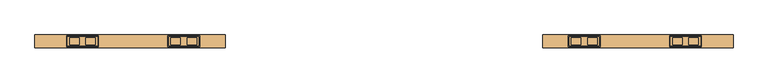
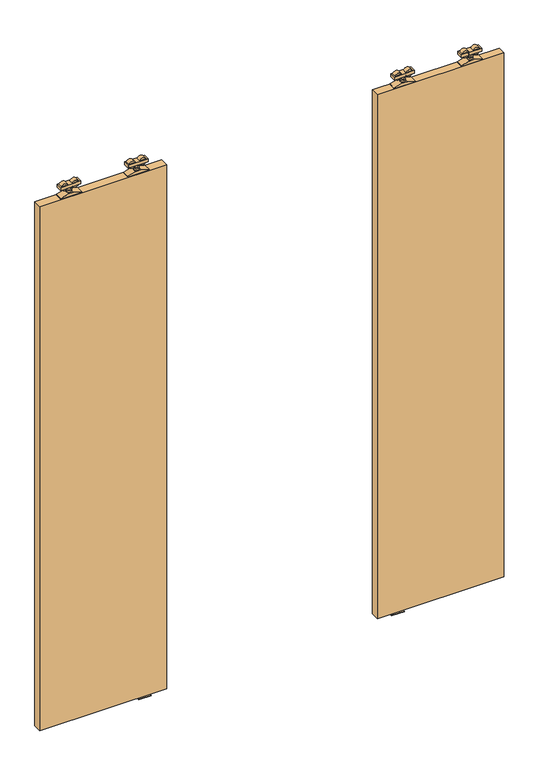
"""IFC4 building model written with IfcOpenShell, lengths in millimetres: door geometry."""

from ifc_helpers import new_model, si_unit, point, frame, frame_2d, origin, place, context, project, spatial, polyline, circle_curve, trimmed, segment, composite_curve, outline, extrude, source, transform, mapped, element, save
from ifc_brep_helpers import plane_surface, cylinder_surface, advanced_brep


def door_a167c34d(model_context):
    return source(origin(), model_context, "Body", "SolidModel", [
        advanced_brep(
        [(-57.0, 14.2574263, 2689.3), (-57.0, -14.7425737, 2689.3), (38.0, -14.7425737, 2689.3), (38.0, 14.2574263, 2689.3), (0.927668, -10.9457536, 2689.3), (0.927668, 10.4606061, 2689.3), (31.21694, 10.4606061, 2689.3), (31.21694, -10.9457536, 2689.3), (-50.21694, -10.9457536, 2689.3), (-50.21694, 10.4606061, 2689.3), (-19.927668, 10.4606061, 2689.3), (-19.927668, -10.9457536, 2689.3), (-57.0, 14.2574263, 2674.3), (38.0, 14.2574263, 2674.3), (38.0, -14.7425737, 2674.3), (-57.0, -14.7425737, 2674.3), (31.21694, -10.9457536, 2674.3), (31.21694, 10.4606061, 2674.3), (0.927668, 10.4606061, 2674.3), (0.927668, -10.9457536, 2674.3), (-19.927668, -10.9457536, 2674.3), (-19.927668, 10.4606061, 2674.3), (-50.21694, 10.4606061, 2674.3), (-50.21694, -10.9457536, 2674.3), (-4.55, -0.5, 2674.3), (-14.45, -0.5, 2674.3), (-4.55, -0.5, 2655.8), (-14.45, -0.5, 2655.8)],
        [
            (0, 1),
            (1, 2),
            (2, 3),
            (3, 0),
            (4, 5),
            (5, 6),
            (6, 7),
            (7, 4),
            (8, 9),
            (9, 10),
            (10, 11),
            (11, 8),
            (12, 13),
            (13, 14),
            (14, 15),
            (15, 12),
            (16, 17),
            (17, 18),
            (18, 19),
            (19, 16),
            (20, 21),
            (21, 22),
            (22, 23),
            (23, 20),
            (24, 25, circle_curve(frame((-9.5, -0.5, 2674.3), z_axis=(0.0, 0.0, 1.0), x_axis=(-1.0, 0.0, 0.0)), 4.95)),
            (25, 24, circle_curve(frame((-9.5, -0.5, 2674.3), z_axis=(0.0, 0.0, 1.0), x_axis=(-1.0, 0.0, 0.0)), 4.95)),
            (3, 13),
            (12, 0),
            (2, 14),
            (1, 15),
            (7, 4, circle_curve(frame((16.072304, -10.9457536, 2681.8), z_axis=(0.0, -1.0, 0.0), x_axis=(-1.0, 0.0, 0.0)), 16.9)),
            (19, 16, circle_curve(frame((16.072304, -10.9457536, 2681.8), z_axis=(0.0, -1.0, 0.0), x_axis=(-1.0, 0.0, 0.0)), 16.9)),
            (5, 6, circle_curve(frame((16.072304, 10.4606061, 2681.8), z_axis=(0.0, 1.0, 0.0), x_axis=(-1.0, 0.0, 0.0)), 16.9)),
            (17, 18, circle_curve(frame((16.072304, 10.4606061, 2681.8), z_axis=(0.0, 1.0, 0.0), x_axis=(-1.0, 0.0, 0.0)), 16.9)),
            (11, 8, circle_curve(frame((-35.072304, -10.9457536, 2681.8), z_axis=(0.0, -1.0, 0.0), x_axis=(1.0, 0.0, 0.0)), 16.9)),
            (23, 20, circle_curve(frame((-35.072304, -10.9457536, 2681.8), z_axis=(0.0, -1.0, 0.0), x_axis=(1.0, 0.0, 0.0)), 16.9)),
            (9, 10, circle_curve(frame((-35.072304, 10.4606061, 2681.8), z_axis=(0.0, 1.0, 0.0), x_axis=(1.0, 0.0, 0.0)), 16.9)),
            (21, 22, circle_curve(frame((-35.072304, 10.4606061, 2681.8), z_axis=(0.0, 1.0, 0.0), x_axis=(1.0, 0.0, 0.0)), 16.9)),
            (26, 27, circle_curve(frame((-9.5, -0.5, 2655.8), z_axis=(0.0, 0.0, -1.0), x_axis=(-1.0, 0.0, 0.0)), 4.95)),
            (27, 26, circle_curve(frame((-9.5, -0.5, 2655.8), z_axis=(0.0, 0.0, -1.0), x_axis=(-1.0, 0.0, 0.0)), 4.95)),
            (26, 24),
            (25, 27),
        ],
        [
            plane_surface(frame((38.0, 14.2574263, 2689.3), z_axis=(0.0, 0.0, 1.0), x_axis=(1.0, 0.0, 0.0))),
            plane_surface(frame((38.0, 14.2574263, 2674.3), z_axis=(0.0, 0.0, -1.0), x_axis=(-1.0, 0.0, 0.0))),
            plane_surface(frame((-57.0, 14.2574263, 2689.3), z_axis=(0.0, 1.0, 0.0), x_axis=(0.0, 0.0, -1.0))),
            plane_surface(frame((38.0, 14.2574263, 2689.3), z_axis=(1.0, 0.0, 0.0), x_axis=(0.0, 0.0, -1.0))),
            plane_surface(frame((38.0, -14.7425737, 2689.3), z_axis=(0.0, -1.0, 0.0), x_axis=(0.0, 0.0, -1.0))),
            plane_surface(frame((-57.0, -14.7425737, 2689.3), z_axis=(-1.0, 0.0, 0.0), x_axis=(0.0, 0.0, -1.0))),
            plane_surface(frame((-0.827696, -10.9457536, 2681.8), z_axis=(0.0, -1.0, 0.0), x_axis=(0.0, 0.0, 1.0))),
            plane_surface(frame((-0.827696, 10.4606061, 2681.8), z_axis=(0.0, 1.0, 0.0), x_axis=(0.0, 0.0, -1.0))),
            cylinder_surface(frame((16.072304, 10.4606061, 2681.8), z_axis=(0.0, -1.0, 0.0), x_axis=(-1.0, 0.0, 0.0)), 16.9),
            plane_surface(frame((-18.172304, -10.9457536, 2681.8), z_axis=(0.0, -1.0, 0.0), x_axis=(0.0, 0.0, -1.0))),
            plane_surface(frame((-18.172304, 10.4606061, 2681.8), z_axis=(0.0, 1.0, 0.0), x_axis=(0.0, 0.0, 1.0))),
            cylinder_surface(frame((-35.072304, 10.4606061, 2681.8), z_axis=(0.0, -1.0, 0.0), x_axis=(1.0, 0.0, 0.0)), 16.9),
            plane_surface(frame((-14.45, -0.5, 2655.8), z_axis=(0.0, 0.0, -1.0), x_axis=(0.0, -1.0, 0.0))),
            cylinder_surface(frame((-9.5, -0.5, 2655.8), z_axis=(0.0, 0.0, 1.0), x_axis=(-1.0, 0.0, 0.0)), 4.95),
        ],
        [
            (0, [[1, 2, 3, 4], [5, 6, 7, 8], [9, 10, 11, 12]]),
            (1, [[13, 14, 15, 16], [17, 18, 19, 20], [21, 22, 23, 24], [25, 26]]),
            (2, [[27, -13, 28, -4]]),
            (3, [[29, -14, -27, -3]]),
            (4, [[30, -15, -29, -2]]),
            (5, [[-28, -16, -30, -1]]),
            (6, [[-8, 31]]),
            (6, [[-20, 32]]),
            (7, [[-6, 33]]),
            (7, [[-18, 34]]),
            (8, [[-19, -34, -17, -32]]),
            (8, [[-7, -33, -5, -31]]),
            (9, [[-12, 35]]),
            (9, [[-24, 36]]),
            (10, [[-10, 37]]),
            (10, [[-22, 38]]),
            (11, [[-23, -38, -21, -36]]),
            (11, [[-11, -37, -9, -35]]),
            (12, [[39, 40]]),
            (13, [[41, -26, 42, -39]]),
            (13, [[-42, -25, -41, -40]]),
        ],
    ),
        extrude(outline(composite_curve([segment(trimmed(circle_curve(frame_2d((-9.5000356, -0.1875)), 12.254021), [point((2.7539853, -0.1875))], [point((-21.7540566, -0.1875))], False, "CARTESIAN"), True, "CONTINUOUS"), segment(trimmed(circle_curve(frame_2d((-9.5000356, -0.1875)), 12.254021), [point((-21.7540566, -0.1875))], [point((2.7539853, -0.1875))], False, "CARTESIAN"), True, "CONTINUOUS")], self_intersect=False)), frame((0.0, 0.0, 2647.0), z_axis=(0.0, 0.0, 1.0), x_axis=(1.0, 0.0, 0.0)), (0.0, 0.0, 1.0), 8.8),
        extrude(outline(polyline([(2633.0, -59.5), (2633.0, 40.5), (2636.8, 40.5), (2647.0, 2.75), (2647.0, -21.75), (2636.8, -59.5), (2633.0, -59.5)])), frame((0.0, -17.7425737, 0.0), z_axis=(0.0, 1.0, 0.0), x_axis=(0.0, 0.0, 1.0)), (0.0, 0.0, 1.0), 35.0),
        advanced_brep(
        [(-1224.0, 14.2574263, 2689.3), (-1319.0, 14.2574263, 2689.3), (-1319.0, -14.7425737, 2689.3), (-1224.0, -14.7425737, 2689.3), (-1281.927668, -10.9457536, 2689.3), (-1312.21694, -10.9457536, 2689.3), (-1312.21694, 10.4606061, 2689.3), (-1281.927668, 10.4606061, 2689.3), (-1230.78306, -10.9457536, 2689.3), (-1261.072332, -10.9457536, 2689.3), (-1261.072332, 10.4606061, 2689.3), (-1230.78306, 10.4606061, 2689.3), (-1224.0, 14.2574263, 2674.3), (-1224.0, -14.7425737, 2674.3), (-1319.0, -14.7425737, 2674.3), (-1319.0, 14.2574263, 2674.3), (-1312.21694, -10.9457536, 2674.3), (-1281.927668, -10.9457536, 2674.3), (-1281.927668, 10.4606061, 2674.3), (-1312.21694, 10.4606061, 2674.3), (-1261.072332, -10.9457536, 2674.3), (-1230.78306, -10.9457536, 2674.3), (-1230.78306, 10.4606061, 2674.3), (-1261.072332, 10.4606061, 2674.3), (-1276.45, -0.5, 2674.3), (-1266.55, -0.5, 2674.3), (-1276.45, -0.5, 2655.8), (-1266.55, -0.5, 2655.8)],
        [
            (0, 1),
            (1, 2),
            (2, 3),
            (3, 0),
            (4, 5),
            (5, 6),
            (6, 7),
            (7, 4),
            (8, 9),
            (9, 10),
            (10, 11),
            (11, 8),
            (12, 13),
            (13, 14),
            (14, 15),
            (15, 12),
            (16, 17),
            (17, 18),
            (18, 19),
            (19, 16),
            (20, 21),
            (21, 22),
            (22, 23),
            (23, 20),
            (24, 25, circle_curve(frame((-1271.5, -0.5, 2674.3), z_axis=(0.0, 0.0, 1.0), x_axis=(1.0, 0.0, 0.0)), 4.95)),
            (25, 24, circle_curve(frame((-1271.5, -0.5, 2674.3), z_axis=(0.0, 0.0, 1.0), x_axis=(1.0, 0.0, 0.0)), 4.95)),
            (0, 12),
            (15, 1),
            (14, 2),
            (13, 3),
            (16, 17, circle_curve(frame((-1297.072304, -10.9457536, 2681.8), z_axis=(0.0, -1.0, 0.0), x_axis=(1.0, 0.0, 0.0)), 16.9)),
            (4, 5, circle_curve(frame((-1297.072304, -10.9457536, 2681.8), z_axis=(0.0, -1.0, 0.0), x_axis=(1.0, 0.0, 0.0)), 16.9)),
            (6, 7, circle_curve(frame((-1297.072304, 10.4606061, 2681.8), z_axis=(0.0, 1.0, 0.0), x_axis=(1.0, 0.0, 0.0)), 16.9)),
            (18, 19, circle_curve(frame((-1297.072304, 10.4606061, 2681.8), z_axis=(0.0, 1.0, 0.0), x_axis=(1.0, 0.0, 0.0)), 16.9)),
            (8, 9, circle_curve(frame((-1245.927696, -10.9457536, 2681.8), z_axis=(0.0, -1.0, 0.0), x_axis=(-1.0, 0.0, 0.0)), 16.9)),
            (20, 21, circle_curve(frame((-1245.927696, -10.9457536, 2681.8), z_axis=(0.0, -1.0, 0.0), x_axis=(-1.0, 0.0, 0.0)), 16.9)),
            (22, 23, circle_curve(frame((-1245.927696, 10.4606061, 2681.8), z_axis=(0.0, 1.0, 0.0), x_axis=(-1.0, 0.0, 0.0)), 16.9)),
            (10, 11, circle_curve(frame((-1245.927696, 10.4606061, 2681.8), z_axis=(0.0, 1.0, 0.0), x_axis=(-1.0, 0.0, 0.0)), 16.9)),
            (26, 27, circle_curve(frame((-1271.5, -0.5, 2655.8), z_axis=(0.0, 0.0, -1.0), x_axis=(1.0, 0.0, 0.0)), 4.95)),
            (27, 26, circle_curve(frame((-1271.5, -0.5, 2655.8), z_axis=(0.0, 0.0, -1.0), x_axis=(1.0, 0.0, 0.0)), 4.95)),
            (27, 25),
            (24, 26),
        ],
        [
            plane_surface(frame((-1319.0, 14.2574263, 2689.3), z_axis=(0.0, 0.0, 1.0), x_axis=(-1.0, 0.0, 0.0))),
            plane_surface(frame((-1319.0, 14.2574263, 2674.3), z_axis=(0.0, 0.0, -1.0), x_axis=(1.0, 0.0, 0.0))),
            plane_surface(frame((-1224.0, 14.2574263, 2689.3), z_axis=(0.0, 1.0, 0.0), x_axis=(0.0, 0.0, -1.0))),
            plane_surface(frame((-1319.0, 14.2574263, 2689.3), z_axis=(-1.0, 0.0, 0.0), x_axis=(0.0, 0.0, -1.0))),
            plane_surface(frame((-1319.0, -14.7425737, 2689.3), z_axis=(0.0, -1.0, 0.0), x_axis=(0.0, 0.0, -1.0))),
            plane_surface(frame((-1224.0, -14.7425737, 2689.3), z_axis=(1.0, 0.0, 0.0), x_axis=(0.0, 0.0, -1.0))),
            plane_surface(frame((-1280.172304, -10.9457536, 2681.8), z_axis=(0.0, -1.0, 0.0), x_axis=(0.0, 0.0, 1.0))),
            plane_surface(frame((-1280.172304, 10.4606061, 2681.8), z_axis=(0.0, 1.0, 0.0), x_axis=(0.0, 0.0, -1.0))),
            cylinder_surface(frame((-1297.072304, 10.4606061, 2681.8), z_axis=(0.0, -1.0, 0.0), x_axis=(1.0, 0.0, 0.0)), 16.9),
            plane_surface(frame((-1262.827696, -10.9457536, 2681.8), z_axis=(0.0, -1.0, 0.0), x_axis=(0.0, 0.0, -1.0))),
            plane_surface(frame((-1262.827696, 10.4606061, 2681.8), z_axis=(0.0, 1.0, 0.0), x_axis=(0.0, 0.0, 1.0))),
            cylinder_surface(frame((-1245.927696, 10.4606061, 2681.8), z_axis=(0.0, -1.0, 0.0), x_axis=(-1.0, 0.0, 0.0)), 16.9),
            plane_surface(frame((-1266.55, -0.5, 2655.8), z_axis=(0.0, 0.0, -1.0), x_axis=(0.0, -1.0, 0.0))),
            cylinder_surface(frame((-1271.5, -0.5, 2655.8), z_axis=(0.0, 0.0, 1.0), x_axis=(1.0, 0.0, 0.0)), 4.95),
        ],
        [
            (0, [[1, 2, 3, 4], [5, 6, 7, 8], [9, 10, 11, 12]]),
            (1, [[13, 14, 15, 16], [17, 18, 19, 20], [21, 22, 23, 24], [25, 26]]),
            (2, [[-1, 27, -16, 28]]),
            (3, [[-2, -28, -15, 29]]),
            (4, [[-3, -29, -14, 30]]),
            (5, [[-4, -30, -13, -27]]),
            (6, [[31, -17]]),
            (6, [[32, -5]]),
            (7, [[33, -7]]),
            (7, [[34, -19]]),
            (8, [[-31, -20, -34, -18]]),
            (8, [[-32, -8, -33, -6]]),
            (9, [[35, -9]]),
            (9, [[36, -21]]),
            (10, [[37, -23]]),
            (10, [[38, -11]]),
            (11, [[-36, -24, -37, -22]]),
            (11, [[-35, -12, -38, -10]]),
            (12, [[39, 40]]),
            (13, [[-40, 41, -25, 42]]),
            (13, [[-39, -42, -26, -41]]),
        ],
    ),
        extrude(outline(composite_curve([segment(trimmed(circle_curve(frame_2d((-1271.4999644, -0.1875)), 12.254021), [point((-1283.7539853, -0.1875))], [point((-1259.2459434, -0.1875))], False, "CARTESIAN"), True, "CONTINUOUS"), segment(trimmed(circle_curve(frame_2d((-1271.4999644, -0.1875)), 12.254021), [point((-1259.2459434, -0.1875))], [point((-1283.7539853, -0.1875))], False, "CARTESIAN"), True, "CONTINUOUS")], self_intersect=False)), frame((0.0, 0.0, 2647.0), z_axis=(0.0, 0.0, 1.0), x_axis=(1.0, 0.0, 0.0)), (0.0, 0.0, 1.0), 8.8),
        extrude(outline(polyline([(2633.0, -1221.5), (2636.8, -1221.5), (2647.0, -1259.25), (2647.0, -1283.75), (2636.8, -1321.5), (2633.0, -1321.5), (2633.0, -1221.5)])), frame((0.0, -17.7425737, 0.0), z_axis=(0.0, 1.0, 0.0), x_axis=(0.0, 0.0, 1.0)), (0.0, 0.0, 1.0), 35.0),
        advanced_brep(
        [(262.0, 14.2574263, 2689.3), (262.0, -14.7425737, 2689.3), (357.0, -14.7425737, 2689.3), (357.0, 14.2574263, 2689.3), (319.927668, -10.9457536, 2689.3), (319.927668, 10.4606061, 2689.3), (350.21694, 10.4606061, 2689.3), (350.21694, -10.9457536, 2689.3), (268.78306, -10.9457536, 2689.3), (268.78306, 10.4606061, 2689.3), (299.072332, 10.4606061, 2689.3), (299.072332, -10.9457536, 2689.3), (262.0, 14.2574263, 2674.3), (357.0, 14.2574263, 2674.3), (357.0, -14.7425737, 2674.3), (262.0, -14.7425737, 2674.3), (350.21694, -10.9457536, 2674.3), (350.21694, 10.4606061, 2674.3), (319.927668, 10.4606061, 2674.3), (319.927668, -10.9457536, 2674.3), (299.072332, -10.9457536, 2674.3), (299.072332, 10.4606061, 2674.3), (268.78306, 10.4606061, 2674.3), (268.78306, -10.9457536, 2674.3), (314.45, -0.5, 2674.3), (304.55, -0.5, 2674.3), (314.45, -0.5, 2655.8), (304.55, -0.5, 2655.8)],
        [
            (0, 1),
            (1, 2),
            (2, 3),
            (3, 0),
            (4, 5),
            (5, 6),
            (6, 7),
            (7, 4),
            (8, 9),
            (9, 10),
            (10, 11),
            (11, 8),
            (12, 13),
            (13, 14),
            (14, 15),
            (15, 12),
            (16, 17),
            (17, 18),
            (18, 19),
            (19, 16),
            (20, 21),
            (21, 22),
            (22, 23),
            (23, 20),
            (24, 25, circle_curve(frame((309.5, -0.5, 2674.3), z_axis=(0.0, 0.0, 1.0), x_axis=(-1.0, 0.0, 0.0)), 4.95)),
            (25, 24, circle_curve(frame((309.5, -0.5, 2674.3), z_axis=(0.0, 0.0, 1.0), x_axis=(-1.0, 0.0, 0.0)), 4.95)),
            (3, 13),
            (12, 0),
            (2, 14),
            (1, 15),
            (7, 4, circle_curve(frame((335.072304, -10.9457536, 2681.8), z_axis=(0.0, -1.0, 0.0), x_axis=(-1.0, 0.0, 0.0)), 16.9)),
            (19, 16, circle_curve(frame((335.072304, -10.9457536, 2681.8), z_axis=(0.0, -1.0, 0.0), x_axis=(-1.0, 0.0, 0.0)), 16.9)),
            (5, 6, circle_curve(frame((335.072304, 10.4606061, 2681.8), z_axis=(0.0, 1.0, 0.0), x_axis=(-1.0, 0.0, 0.0)), 16.9)),
            (17, 18, circle_curve(frame((335.072304, 10.4606061, 2681.8), z_axis=(0.0, 1.0, 0.0), x_axis=(-1.0, 0.0, 0.0)), 16.9)),
            (11, 8, circle_curve(frame((283.927696, -10.9457536, 2681.8), z_axis=(0.0, -1.0, 0.0), x_axis=(1.0, 0.0, 0.0)), 16.9)),
            (23, 20, circle_curve(frame((283.927696, -10.9457536, 2681.8), z_axis=(0.0, -1.0, 0.0), x_axis=(1.0, 0.0, 0.0)), 16.9)),
            (9, 10, circle_curve(frame((283.927696, 10.4606061, 2681.8), z_axis=(0.0, 1.0, 0.0), x_axis=(1.0, 0.0, 0.0)), 16.9)),
            (21, 22, circle_curve(frame((283.927696, 10.4606061, 2681.8), z_axis=(0.0, 1.0, 0.0), x_axis=(1.0, 0.0, 0.0)), 16.9)),
            (26, 27, circle_curve(frame((309.5, -0.5, 2655.8), z_axis=(0.0, 0.0, -1.0), x_axis=(-1.0, 0.0, 0.0)), 4.95)),
            (27, 26, circle_curve(frame((309.5, -0.5, 2655.8), z_axis=(0.0, 0.0, -1.0), x_axis=(-1.0, 0.0, 0.0)), 4.95)),
            (26, 24),
            (25, 27),
        ],
        [
            plane_surface(frame((357.0, 14.2574263, 2689.3), z_axis=(0.0, 0.0, 1.0), x_axis=(1.0, 0.0, 0.0))),
            plane_surface(frame((357.0, 14.2574263, 2674.3), z_axis=(0.0, 0.0, -1.0), x_axis=(-1.0, 0.0, 0.0))),
            plane_surface(frame((262.0, 14.2574263, 2689.3), z_axis=(0.0, 1.0, 0.0), x_axis=(0.0, 0.0, -1.0))),
            plane_surface(frame((357.0, 14.2574263, 2689.3), z_axis=(1.0, 0.0, 0.0), x_axis=(0.0, 0.0, -1.0))),
            plane_surface(frame((357.0, -14.7425737, 2689.3), z_axis=(0.0, -1.0, 0.0), x_axis=(0.0, 0.0, -1.0))),
            plane_surface(frame((262.0, -14.7425737, 2689.3), z_axis=(-1.0, 0.0, 0.0), x_axis=(0.0, 0.0, -1.0))),
            plane_surface(frame((318.172304, -10.9457536, 2681.8), z_axis=(0.0, -1.0, 0.0), x_axis=(0.0, 0.0, 1.0))),
            plane_surface(frame((318.172304, 10.4606061, 2681.8), z_axis=(0.0, 1.0, 0.0), x_axis=(0.0, 0.0, -1.0))),
            cylinder_surface(frame((335.072304, 10.4606061, 2681.8), z_axis=(0.0, -1.0, 0.0), x_axis=(-1.0, 0.0, 0.0)), 16.9),
            plane_surface(frame((300.827696, -10.9457536, 2681.8), z_axis=(0.0, -1.0, 0.0), x_axis=(0.0, 0.0, -1.0))),
            plane_surface(frame((300.827696, 10.4606061, 2681.8), z_axis=(0.0, 1.0, 0.0), x_axis=(0.0, 0.0, 1.0))),
            cylinder_surface(frame((283.927696, 10.4606061, 2681.8), z_axis=(0.0, -1.0, 0.0), x_axis=(1.0, 0.0, 0.0)), 16.9),
            plane_surface(frame((304.55, -0.5, 2655.8), z_axis=(0.0, 0.0, -1.0), x_axis=(0.0, -1.0, 0.0))),
            cylinder_surface(frame((309.5, -0.5, 2655.8), z_axis=(0.0, 0.0, 1.0), x_axis=(-1.0, 0.0, 0.0)), 4.95),
        ],
        [
            (0, [[1, 2, 3, 4], [5, 6, 7, 8], [9, 10, 11, 12]]),
            (1, [[13, 14, 15, 16], [17, 18, 19, 20], [21, 22, 23, 24], [25, 26]]),
            (2, [[27, -13, 28, -4]]),
            (3, [[29, -14, -27, -3]]),
            (4, [[30, -15, -29, -2]]),
            (5, [[-28, -16, -30, -1]]),
            (6, [[-8, 31]]),
            (6, [[-20, 32]]),
            (7, [[-6, 33]]),
            (7, [[-18, 34]]),
            (8, [[-19, -34, -17, -32]]),
            (8, [[-7, -33, -5, -31]]),
            (9, [[-12, 35]]),
            (9, [[-24, 36]]),
            (10, [[-10, 37]]),
            (10, [[-22, 38]]),
            (11, [[-23, -38, -21, -36]]),
            (11, [[-11, -37, -9, -35]]),
            (12, [[39, 40]]),
            (13, [[41, -26, 42, -39]]),
            (13, [[-42, -25, -41, -40]]),
        ],
    ),
        extrude(outline(composite_curve([segment(trimmed(circle_curve(frame_2d((309.4999644, -0.1875)), 12.254021), [point((321.7539853, -0.1875))], [point((297.2459434, -0.1875))], False, "CARTESIAN"), True, "CONTINUOUS"), segment(trimmed(circle_curve(frame_2d((309.4999644, -0.1875)), 12.254021), [point((297.2459434, -0.1875))], [point((321.7539853, -0.1875))], False, "CARTESIAN"), True, "CONTINUOUS")], self_intersect=False)), frame((0.0, 0.0, 2647.0), z_axis=(0.0, 0.0, 1.0), x_axis=(1.0, 0.0, 0.0)), (0.0, 0.0, 1.0), 8.8),
        extrude(outline(polyline([(2633.0, 259.5), (2633.0, 359.5), (2636.8, 359.5), (2647.0, 321.75), (2647.0, 297.25), (2636.8, 259.5), (2633.0, 259.5)])), frame((0.0, -17.7425737, 0.0), z_axis=(0.0, 1.0, 0.0), x_axis=(0.0, 0.0, 1.0)), (0.0, 0.0, 1.0), 35.0),
        advanced_brep(
        [(-1543.0, 14.2574263, 2689.3), (-1638.0, 14.2574263, 2689.3), (-1638.0, -14.7425737, 2689.3), (-1543.0, -14.7425737, 2689.3), (-1600.927668, -10.9457536, 2689.3), (-1631.21694, -10.9457536, 2689.3), (-1631.21694, 10.4606061, 2689.3), (-1600.927668, 10.4606061, 2689.3), (-1549.78306, -10.9457536, 2689.3), (-1580.072332, -10.9457536, 2689.3), (-1580.072332, 10.4606061, 2689.3), (-1549.78306, 10.4606061, 2689.3), (-1543.0, 14.2574263, 2674.3), (-1543.0, -14.7425737, 2674.3), (-1638.0, -14.7425737, 2674.3), (-1638.0, 14.2574263, 2674.3), (-1631.21694, -10.9457536, 2674.3), (-1600.927668, -10.9457536, 2674.3), (-1600.927668, 10.4606061, 2674.3), (-1631.21694, 10.4606061, 2674.3), (-1580.072332, -10.9457536, 2674.3), (-1549.78306, -10.9457536, 2674.3), (-1549.78306, 10.4606061, 2674.3), (-1580.072332, 10.4606061, 2674.3), (-1595.45, -0.5, 2674.3), (-1585.55, -0.5, 2674.3), (-1595.45, -0.5, 2655.8), (-1585.55, -0.5, 2655.8)],
        [
            (0, 1),
            (1, 2),
            (2, 3),
            (3, 0),
            (4, 5),
            (5, 6),
            (6, 7),
            (7, 4),
            (8, 9),
            (9, 10),
            (10, 11),
            (11, 8),
            (12, 13),
            (13, 14),
            (14, 15),
            (15, 12),
            (16, 17),
            (17, 18),
            (18, 19),
            (19, 16),
            (20, 21),
            (21, 22),
            (22, 23),
            (23, 20),
            (24, 25, circle_curve(frame((-1590.5, -0.5, 2674.3), z_axis=(0.0, 0.0, 1.0), x_axis=(1.0, 0.0, 0.0)), 4.95)),
            (25, 24, circle_curve(frame((-1590.5, -0.5, 2674.3), z_axis=(0.0, 0.0, 1.0), x_axis=(1.0, 0.0, 0.0)), 4.95)),
            (0, 12),
            (15, 1),
            (14, 2),
            (13, 3),
            (16, 17, circle_curve(frame((-1616.072304, -10.9457536, 2681.8), z_axis=(0.0, -1.0, 0.0), x_axis=(1.0, 0.0, 0.0)), 16.9)),
            (4, 5, circle_curve(frame((-1616.072304, -10.9457536, 2681.8), z_axis=(0.0, -1.0, 0.0), x_axis=(1.0, 0.0, 0.0)), 16.9)),
            (6, 7, circle_curve(frame((-1616.072304, 10.4606061, 2681.8), z_axis=(0.0, 1.0, 0.0), x_axis=(1.0, 0.0, 0.0)), 16.9)),
            (18, 19, circle_curve(frame((-1616.072304, 10.4606061, 2681.8), z_axis=(0.0, 1.0, 0.0), x_axis=(1.0, 0.0, 0.0)), 16.9)),
            (8, 9, circle_curve(frame((-1564.927696, -10.9457536, 2681.8), z_axis=(0.0, -1.0, 0.0), x_axis=(-1.0, 0.0, 0.0)), 16.9)),
            (20, 21, circle_curve(frame((-1564.927696, -10.9457536, 2681.8), z_axis=(0.0, -1.0, 0.0), x_axis=(-1.0, 0.0, 0.0)), 16.9)),
            (22, 23, circle_curve(frame((-1564.927696, 10.4606061, 2681.8), z_axis=(0.0, 1.0, 0.0), x_axis=(-1.0, 0.0, 0.0)), 16.9)),
            (10, 11, circle_curve(frame((-1564.927696, 10.4606061, 2681.8), z_axis=(0.0, 1.0, 0.0), x_axis=(-1.0, 0.0, 0.0)), 16.9)),
            (26, 27, circle_curve(frame((-1590.5, -0.5, 2655.8), z_axis=(0.0, 0.0, -1.0), x_axis=(1.0, 0.0, 0.0)), 4.95)),
            (27, 26, circle_curve(frame((-1590.5, -0.5, 2655.8), z_axis=(0.0, 0.0, -1.0), x_axis=(1.0, 0.0, 0.0)), 4.95)),
            (27, 25),
            (24, 26),
        ],
        [
            plane_surface(frame((-1638.0, 14.2574263, 2689.3), z_axis=(0.0, 0.0, 1.0), x_axis=(-1.0, 0.0, 0.0))),
            plane_surface(frame((-1638.0, 14.2574263, 2674.3), z_axis=(0.0, 0.0, -1.0), x_axis=(1.0, 0.0, 0.0))),
            plane_surface(frame((-1543.0, 14.2574263, 2689.3), z_axis=(0.0, 1.0, 0.0), x_axis=(0.0, 0.0, -1.0))),
            plane_surface(frame((-1638.0, 14.2574263, 2689.3), z_axis=(-1.0, 0.0, 0.0), x_axis=(0.0, 0.0, -1.0))),
            plane_surface(frame((-1638.0, -14.7425737, 2689.3), z_axis=(0.0, -1.0, 0.0), x_axis=(0.0, 0.0, -1.0))),
            plane_surface(frame((-1543.0, -14.7425737, 2689.3), z_axis=(1.0, 0.0, 0.0), x_axis=(0.0, 0.0, -1.0))),
            plane_surface(frame((-1599.172304, -10.9457536, 2681.8), z_axis=(0.0, -1.0, 0.0), x_axis=(0.0, 0.0, 1.0))),
            plane_surface(frame((-1599.172304, 10.4606061, 2681.8), z_axis=(0.0, 1.0, 0.0), x_axis=(0.0, 0.0, -1.0))),
            cylinder_surface(frame((-1616.072304, 10.4606061, 2681.8), z_axis=(0.0, -1.0, 0.0), x_axis=(1.0, 0.0, 0.0)), 16.9),
            plane_surface(frame((-1581.827696, -10.9457536, 2681.8), z_axis=(0.0, -1.0, 0.0), x_axis=(0.0, 0.0, -1.0))),
            plane_surface(frame((-1581.827696, 10.4606061, 2681.8), z_axis=(0.0, 1.0, 0.0), x_axis=(0.0, 0.0, 1.0))),
            cylinder_surface(frame((-1564.927696, 10.4606061, 2681.8), z_axis=(0.0, -1.0, 0.0), x_axis=(-1.0, 0.0, 0.0)), 16.9),
            plane_surface(frame((-1585.55, -0.5, 2655.8), z_axis=(0.0, 0.0, -1.0), x_axis=(0.0, -1.0, 0.0))),
            cylinder_surface(frame((-1590.5, -0.5, 2655.8), z_axis=(0.0, 0.0, 1.0), x_axis=(1.0, 0.0, 0.0)), 4.95),
        ],
        [
            (0, [[1, 2, 3, 4], [5, 6, 7, 8], [9, 10, 11, 12]]),
            (1, [[13, 14, 15, 16], [17, 18, 19, 20], [21, 22, 23, 24], [25, 26]]),
            (2, [[-1, 27, -16, 28]]),
            (3, [[-2, -28, -15, 29]]),
            (4, [[-3, -29, -14, 30]]),
            (5, [[-4, -30, -13, -27]]),
            (6, [[31, -17]]),
            (6, [[32, -5]]),
            (7, [[33, -7]]),
            (7, [[34, -19]]),
            (8, [[-31, -20, -34, -18]]),
            (8, [[-32, -8, -33, -6]]),
            (9, [[35, -9]]),
            (9, [[36, -21]]),
            (10, [[37, -23]]),
            (10, [[38, -11]]),
            (11, [[-36, -24, -37, -22]]),
            (11, [[-35, -12, -38, -10]]),
            (12, [[39, 40]]),
            (13, [[-40, 41, -25, 42]]),
            (13, [[-39, -42, -26, -41]]),
        ],
    ),
        extrude(outline(composite_curve([segment(trimmed(circle_curve(frame_2d((-1590.4999644, -0.1875)), 12.254021), [point((-1602.7539853, -0.1875))], [point((-1578.2459434, -0.1875))], False, "CARTESIAN"), True, "CONTINUOUS"), segment(trimmed(circle_curve(frame_2d((-1590.4999644, -0.1875)), 12.254021), [point((-1578.2459434, -0.1875))], [point((-1602.7539853, -0.1875))], False, "CARTESIAN"), True, "CONTINUOUS")], self_intersect=False)), frame((0.0, 0.0, 2647.0), z_axis=(0.0, 0.0, 1.0), x_axis=(1.0, 0.0, 0.0)), (0.0, 0.0, 1.0), 8.8),
        extrude(outline(polyline([(2633.0, -1540.5), (2636.8, -1540.5), (2647.0, -1578.25), (2647.0, -1602.75), (2636.8, -1640.5), (2633.0, -1640.5), (2633.0, -1540.5)])), frame((0.0, -17.7425737, 0.0), z_axis=(0.0, 1.0, 0.0), x_axis=(0.0, 0.0, 1.0)), (0.0, 0.0, 1.0), 35.0),
        extrude(outline(polyline([(-1140.5, 19.5), (-1140.5, -20.5), (-1740.5, -20.5), (-1740.5, 19.5), (-1140.5, 19.5)])), frame((0.0, 0.0, 10.0), z_axis=(0.0, 0.0, 1.0), x_axis=(1.0, 0.0, 0.0)), (0.0, 0.0, 1.0), 2623.0),
        extrude(outline(polyline([(-140.5, 19.5), (459.5, 19.5), (459.5, -20.5), (-140.5, -20.5), (-140.5, 19.5)])), frame((0.0, 0.0, 10.0), z_axis=(0.0, 0.0, 1.0), x_axis=(1.0, 0.0, 0.0)), (0.0, 0.0, 1.0), 2623.0),
        extrude(outline(polyline([(15.6967365, 0.0), (15.6967365, -2.0), (-16.3032635, -2.0), (-16.3032635, 0.0), (-2.3032635, 0.0), (-2.3032635, 27.5), (2.0, 27.5), (2.0, 0.0), (15.6967365, 0.0)])), frame((-1270.5, 0.0, 0.0), z_axis=(1.0, 0.0, 0.0), x_axis=(0.0, 1.0, 0.0)), (0.0, 0.0, 1.0), 60.0),
        extrude(outline(polyline([(15.6967365, 0.0), (15.6967365, -2.0), (-16.3032635, -2.0), (-16.3032635, 0.0), (-2.3032635, 0.0), (-2.3032635, 27.5), (2.0, 27.5), (2.0, 0.0), (15.6967365, 0.0)])), frame((-70.5, 0.0, 0.0), z_axis=(1.0, 0.0, 0.0), x_axis=(0.0, 1.0, 0.0)), (0.0, 0.0, 1.0), 60.0),
    ])


if __name__ == "__main__":
    model = new_model("IFC4")
    model_context = context("Model", 3, world=origin())
    ifc_project = project(units=[si_unit("LENGTHUNIT", "METRE", prefix="MILLI")], contexts=[model_context])
    site = spatial("IfcSite", under=ifc_project)
    building = spatial("IfcBuilding", under=site)
    placement = place(None, origin())
    door_shape = door_a167c34d(model_context)
    element("IfcDoor", 1, at=placement, inside=building, context=model_context, shape_type="MappedRepresentation", body=[
        mapped(door_shape, transform((0.0, 0.0, 0.0), x_axis=(1.0, 0.0, 0.0), y_axis=(0.0, 1.0, 0.0), z_axis=(0.0, 0.0, 1.0))),
    ])
    save(model, "model.ifc")
